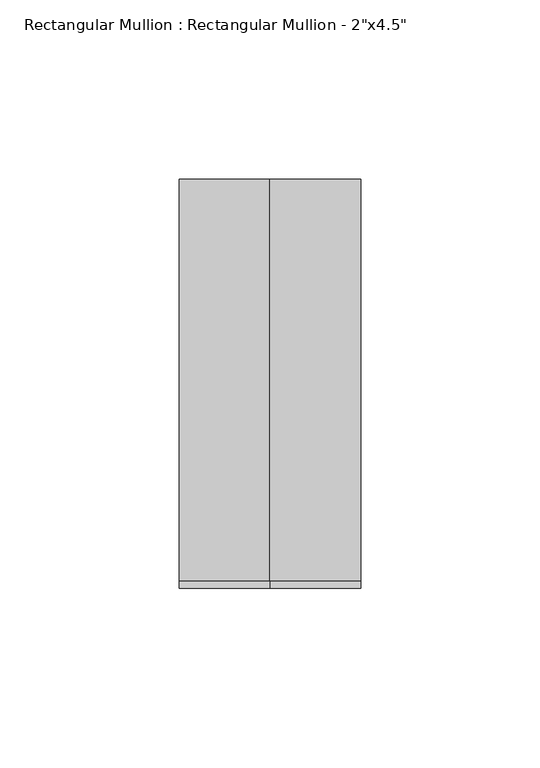
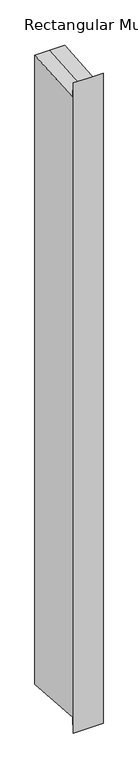
"""IFC4 building model written with IfcOpenShell, lengths in millimetres: member geometry."""

from ifc_helpers import new_model, si_unit, origin, place, context, project, spatial, faceted_brep, source, transform, mapped, element, save


def member_55b59e3b(model_context):
    return source(origin(), model_context, "Body", "Brep", [
        faceted_brep([(-25.4, 57.15, 4.25775), (0.0, 57.15, 4.25775), (25.4, 57.15, 4.25775), (25.4, 57.15, -1135.681786), (0.0, 57.15, -1135.681786), (-25.4, 57.15, -1135.681786), (-25.4, -57.15, 23.2378153), (-25.4, -55.0674329, -4.2455786), (-25.4, -55.0674329, -1127.1784574), (-25.4, -57.15, -1154.6618513), (25.4, -57.15, 23.2378153), (0.0, -57.15, 23.2378153), (0.0, -57.15, -1154.6618513), (25.4, -57.15, -1154.6618513), (25.4, -55.0674329, -4.2455786), (25.4, -55.0674329, -1127.1784574), (0.0, -55.0674329, -4.2455786), (0.0, -55.0674329, -1127.1784574)], [[[0, 1, 2, 3, 4, 5]], [[6, 7, 0, 5, 8, 9]], [[10, 11, 6, 9, 12, 13]], [[2, 14, 10, 13, 15, 3]], [[2, 1, 16, 14]], [[1, 0, 7, 16]], [[7, 6, 11, 16]], [[11, 10, 14, 16]], [[3, 15, 17, 4]], [[15, 13, 12, 17]], [[12, 9, 8, 17]], [[8, 5, 4, 17]]]),
    ])


if __name__ == "__main__":
    model = new_model("IFC4")
    model_context = context("Model", 3, world=origin())
    ifc_project = project(units=[si_unit("LENGTHUNIT", "METRE", prefix="MILLI")], contexts=[model_context])
    site = spatial("IfcSite", under=ifc_project)
    building = spatial("IfcBuilding", under=site)
    placement = place(None, origin())
    member_shape = member_55b59e3b(model_context)
    element("IfcMember", 1, ObjectType="Rectangular Mullion : Rectangular Mullion - 2\"x4.5\"", at=placement, inside=building, context=model_context, shape_type="MappedRepresentation", body=[
        mapped(member_shape, transform((0.0, 0.0, 0.0), x_axis=(1.0, 0.0, 0.0), y_axis=(0.0, 1.0, 0.0), z_axis=(0.0, 0.0, 1.0))),
    ])
    save(model, "model.ifc")
